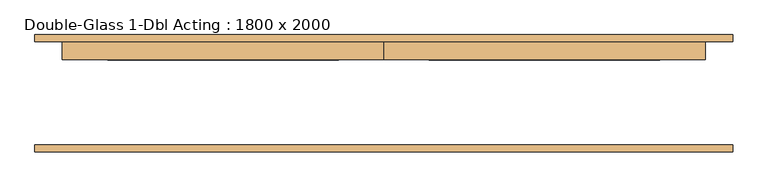
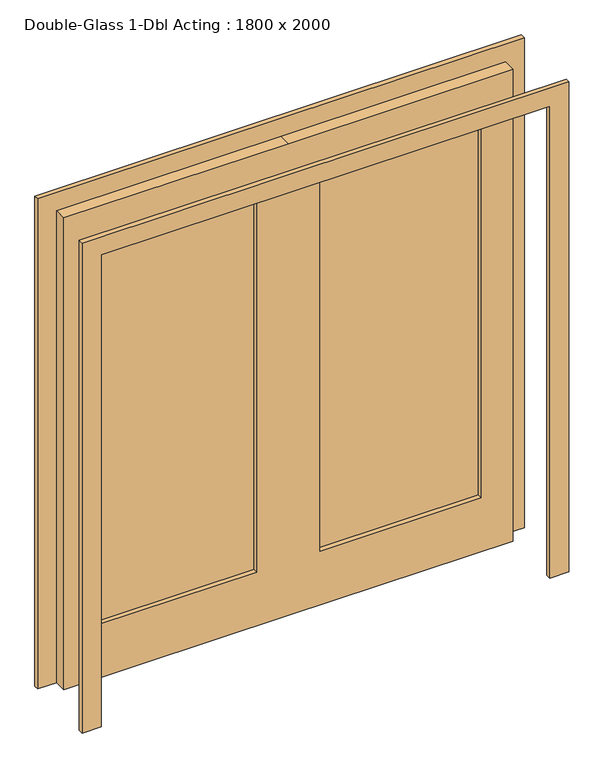
"""IFC4 building model written with IfcOpenShell, lengths in millimetres: door geometry, Double-Glass 1-Dbl Acting : 1800 x 2000."""

import ifcopenshell
import ifcopenshell.guid

model = None  # the IFC model being written
_history = None  # IfcOwnerHistory: only IFC2X3 demands one
_inside = {}  # id of a spatial element -> (the spatial element, [elements in it])
_under = {}  # id of a project, library or spatial element -> (it, [spatial elements below it])
_declared = {}  # id of a project -> (the project, [libraries it declares])
_typed = {}  # id of a type object -> (the type object, [elements of that type])
_made_of = {}  # id of a material, layer set ... -> (it, [elements and type objects made of it])


def new_model(schema):
    """Start an empty IFC model of exactly this schema.

    Asked for "IFC4X3", IfcOpenShell would pick the latest addendum, in which some entities
    have other attributes; the version numbers below select the first issue.
    IFC2X3 requires an IfcOwnerHistory on every rooted entity: one is made here for all.
    """
    global model, _history
    if schema == "IFC4X3":
        model = ifcopenshell.file(schema_version=(4, 3, 0, 0))
    else:
        model = ifcopenshell.file(schema=schema)
    _inside.clear()
    _under.clear()
    _declared.clear()
    _typed.clear()
    _made_of.clear()
    _history = None
    if model.schema == "IFC2X3":
        org = make("IfcOrganization", Name="unknown")
        user = make(
            "IfcPersonAndOrganization",
            ThePerson=make("IfcPerson", FamilyName="unknown"),
            TheOrganization=org,
        )
        app = make(
            "IfcApplication",
            ApplicationDeveloper=org,
            Version="unknown",
            ApplicationFullName="unknown",
            ApplicationIdentifier="unknown",
        )
        _history = make(
            "IfcOwnerHistory",
            OwningUser=user,
            OwningApplication=app,
            ChangeAction="ADDED",
            CreationDate=0,
        )
    return model


def make(cls, **values):
    """One entity of the class cls with the attributes given. An attribute that is None is left unset."""
    return model.create_entity(
        cls, **{name: value for name, value in values.items() if value is not None}
    )


def rooted(cls, **values):
    """An entity with a GlobalId (a new one), such as an element, a storey or a relation."""
    return make(cls, GlobalId=ifcopenshell.guid.new(), OwnerHistory=_history, **values)


def si_unit(unit_type, name, prefix=None):
    """IfcSIUnit, for example si_unit("LENGTHUNIT", "METRE", prefix="MILLI")."""
    return make("IfcSIUnit", UnitType=unit_type, Prefix=prefix, Name=name)


def assignment(units):
    """IfcUnitAssignment: the units of a project."""
    return None if units is None else make("IfcUnitAssignment", Units=units)


def point(xyz):
    """IfcCartesianPoint."""
    return None if xyz is None else make("IfcCartesianPoint", Coordinates=xyz)


def direction(xyz):
    """IfcDirection."""
    return None if xyz is None else make("IfcDirection", DirectionRatios=xyz)


def frame(location, z_axis=None, x_axis=None):
    """IfcAxis2Placement3D, a coordinate frame: its origin and axes. An axis left out is left unset."""
    return make(
        "IfcAxis2Placement3D",
        Location=point(location),
        Axis=direction(z_axis),
        RefDirection=direction(x_axis),
    )


def origin():
    """The frame at (0, 0, 0) with its axes left unset."""
    return frame((0.0, 0.0, 0.0))


def place(relative_to, where):
    """IfcLocalPlacement: puts the frame where relative to a parent placement (None: the world)."""
    return make(
        "IfcLocalPlacement", PlacementRelTo=relative_to, RelativePlacement=where
    )


def context(
    kind, dimensions, precision=None, world=None, true_north=None, identifier=None
):
    """IfcGeometricRepresentationContext, for example the 3D "Model" context."""
    return make(
        "IfcGeometricRepresentationContext",
        ContextIdentifier=identifier,
        ContextType=kind,
        CoordinateSpaceDimension=dimensions,
        Precision=precision,
        WorldCoordinateSystem=world,
        TrueNorth=true_north,
    )


def project(units=None, contexts=None):
    """IfcProject with its units and contexts."""
    return rooted(
        "IfcProject",
        Name="project",
        RepresentationContexts=contexts,
        UnitsInContext=assignment(units),
    )


def spatial(cls, under=None, at=None, **own):
    """A site, building, storey or space (cls), placed at a placement, below another one or the project."""
    s = rooted(cls, ObjectPlacement=at, **own)
    if under is not None:
        _under.setdefault(under.id(), (under, []))[1].append(s)
    return s


def polyline(points):
    """IfcPolyline through the points."""
    return make("IfcPolyline", Points=[point(p) for p in points])


def outline(outer, holes=None, kind="AREA"):
    """IfcArbitraryClosedProfileDef: a profile drawn as a closed curve; with holes, ...WithVoids."""
    if holes is None:
        return make("IfcArbitraryClosedProfileDef", ProfileType=kind, OuterCurve=outer)
    return make(
        "IfcArbitraryProfileDefWithVoids",
        ProfileType=kind,
        OuterCurve=outer,
        InnerCurves=holes,
    )


def extrude(swept, where, along, depth):
    """IfcExtrudedAreaSolid: the profile swept, set in the frame where, extruded along a direction by depth."""
    return make(
        "IfcExtrudedAreaSolid",
        SweptArea=swept,
        Position=where,
        ExtrudedDirection=direction(along),
        Depth=depth,
    )


def shape(context_of_items, identifier, shape_type, items):
    """IfcShapeRepresentation: the items that make up one representation, for example the "Body"."""
    return make(
        "IfcShapeRepresentation",
        ContextOfItems=context_of_items,
        RepresentationIdentifier=identifier,
        RepresentationType=shape_type,
        Items=items,
    )


def source(mapping_origin, context_of_items, identifier, shape_type, items):
    """IfcRepresentationMap: a shape defined once, which mapped items show again and again."""
    return make(
        "IfcRepresentationMap",
        MappingOrigin=mapping_origin,
        MappedRepresentation=shape(context_of_items, identifier, shape_type, items),
    )


def transform(
    local_origin,
    x_axis=None,
    y_axis=None,
    z_axis=None,
    scale=None,
    scale2=None,
    scale3=None,
    uniform=True,
):
    """IfcCartesianTransformationOperator3D, or its non-uniform kind. x_axis, y_axis, z_axis: its Axis1, 2, 3."""
    if uniform:
        return make(
            "IfcCartesianTransformationOperator3D",
            Axis1=direction(x_axis),
            Axis2=direction(y_axis),
            LocalOrigin=point(local_origin),
            Scale=scale,
            Axis3=direction(z_axis),
        )
    return make(
        "IfcCartesianTransformationOperator3DnonUniform",
        Axis1=direction(x_axis),
        Axis2=direction(y_axis),
        LocalOrigin=point(local_origin),
        Scale=scale,
        Axis3=direction(z_axis),
        Scale2=scale2,
        Scale3=scale3,
    )


def mapped(mapping_source, mapping_target):
    """IfcMappedItem: shows the shape of a source again, moved by a transform."""
    return make(
        "IfcMappedItem", MappingSource=mapping_source, MappingTarget=mapping_target
    )


def made_of(thing, what):
    """Note that an element or type object is made of a material, layer set ...; save() writes the relation."""
    if what is not None:
        _made_of.setdefault(what.id(), (what, []))[1].append(thing)
    return thing


def element(
    cls,
    number,
    at=None,
    inside=None,
    cuts=None,
    type_object=None,
    material=None,
    context=None,
    identifier="Body",
    shape_type=None,
    held_by="IfcProductDefinitionShape",
    body=None,
    shapes=None,
    **own,
):
    """One element of the class cls, such as IfcWall. Its Tag is "e" and its number.

    at: its placement. inside: the storey or other place that contains it. cuts: it is an
    opening in that element (IfcRelVoidsElement). A single representation is given by context,
    identifier, shape_type and body (its items); several are given by shapes. held_by: the class
    of the entity that holds the representations. save() writes the other relations.
    """
    e = rooted(cls, Tag="e%d" % number, ObjectPlacement=at, **own)
    if body is not None:
        shapes = [shape(context, identifier, shape_type, body)]
    if shapes is not None:
        e.Representation = make(held_by, Representations=shapes)
    if inside is not None:
        _inside.setdefault(inside.id(), (inside, []))[1].append(e)
    if cuts is not None:
        rooted(
            "IfcRelVoidsElement", RelatingBuildingElement=cuts, RelatedOpeningElement=e
        )
    if type_object is not None:
        _typed.setdefault(type_object.id(), (type_object, []))[1].append(e)
    return made_of(e, material)


def aggregate(whole, parts):
    """IfcRelAggregates: a whole, such as a stair, and the parts it consists of."""
    return rooted("IfcRelAggregates", RelatingObject=whole, RelatedObjects=parts)


def save(model, path):
    """Write the relations noted so far, then the file.

    IfcRelAggregates (storeys below a building ...), IfcRelContainedInSpatialStructure (elements
    in a storey), IfcRelDefinesByType, IfcRelAssociatesMaterial and IfcRelDeclares: one each for
    every whole, place, type object, material and project.
    """
    for whole, parts in _under.values():
        aggregate(whole, parts)
    for where, things in _inside.values():
        rooted(
            "IfcRelContainedInSpatialStructure",
            RelatedElements=things,
            RelatingStructure=where,
        )
    for kind, things in _typed.values():
        rooted("IfcRelDefinesByType", RelatedObjects=things, RelatingType=kind)
    for what, things in _made_of.values():
        rooted("IfcRelAssociatesMaterial", RelatedObjects=things, RelatingMaterial=what)
    for by, libraries in _declared.values():
        rooted("IfcRelDeclares", RelatingContext=by, RelatedDefinitions=libraries)
    model.write(path)


def double_glass_1_dbl_acting_1800_x_2000_211ddfae(model_context):
    return source(origin(), model_context, "Body", "SweptSolid", [
        extrude(outline(polyline([(127.0, 151.35), (773.0, 151.35), (773.0, 138.65), (127.0, 138.65), (127.0, 151.35)])), frame((0.0, 0.0, 228.6), z_axis=(0.0, 0.0, 1.0), x_axis=(1.0, 0.0, 0.0)), (0.0, 0.0, 1.0), 1644.4),
        extrude(outline(polyline([(-773.0, 151.35), (-127.0, 151.35), (-127.0, 138.65), (-773.0, 138.65), (-773.0, 151.35)])), frame((0.0, 0.0, 228.6), z_axis=(0.0, 0.0, 1.0), x_axis=(1.0, 0.0, 0.0)), (0.0, 0.0, 1.0), 1644.4),
        extrude(outline(polyline([(2000.0, -900.0), (2000.0, 900.0), (0.0, 900.0), (0.0, 976.2), (2076.2, 976.2), (2076.2, -976.2), (0.0, -976.2), (0.0, -900.0), (2000.0, -900.0)])), frame((0.0, -138.65, 0.0), z_axis=(0.0, 1.0, 0.0), x_axis=(0.0, 0.0, 1.0)), (0.0, 0.0, 1.0), 19.05),
        extrude(outline(polyline([(2000.0, -900.0), (2000.0, 900.0), (0.0, 900.0), (0.0, 976.2), (2076.2, 976.2), (2076.2, -976.2), (0.0, -976.2), (0.0, -900.0), (2000.0, -900.0)])), frame((0.0, 170.4, 0.0), z_axis=(0.0, 1.0, 0.0), x_axis=(0.0, 0.0, 1.0)), (0.0, 0.0, 1.0), 19.05),
        extrude(outline(polyline([(2000.0, 0.0), (2000.0, -900.0), (0.0, -900.0), (0.0, 0.0), (0.0, 900.0), (2000.0, 900.0), (2000.0, 0.0)]), holes=[polyline([(1873.0, -127.0), (228.6, -127.0), (228.6, -773.0), (1873.0, -773.0), (1873.0, -127.0)]), polyline([(1873.0, 127.0), (1873.0, 773.0), (228.6, 773.0), (228.6, 127.0), (1873.0, 127.0)])]), frame((0.0, 119.6, 0.0), z_axis=(0.0, 1.0, 0.0), x_axis=(0.0, 0.0, 1.0)), (0.0, 0.0, 1.0), 50.8),
    ])


if __name__ == "__main__":
    model = new_model("IFC4")
    model_context = context("Model", 3, world=origin())
    ifc_project = project(units=[si_unit("LENGTHUNIT", "METRE", prefix="MILLI")], contexts=[model_context])
    site = spatial("IfcSite", under=ifc_project)
    building = spatial("IfcBuilding", under=site)
    placement = place(None, origin())
    double_glass_1_dbl_acting_1800_x_2000_shape = double_glass_1_dbl_acting_1800_x_2000_211ddfae(model_context)
    element("IfcDoor", 1, ObjectType="Double-Glass 1-Dbl Acting : 1800 x 2000", at=placement, inside=building, context=model_context, shape_type="MappedRepresentation", body=[
        mapped(double_glass_1_dbl_acting_1800_x_2000_shape, transform((0.0, 0.0, 0.0), x_axis=(1.0, 0.0, 0.0), y_axis=(0.0, 1.0, 0.0), z_axis=(0.0, 0.0, 1.0))),
    ])
    save(model, "model.ifc")
